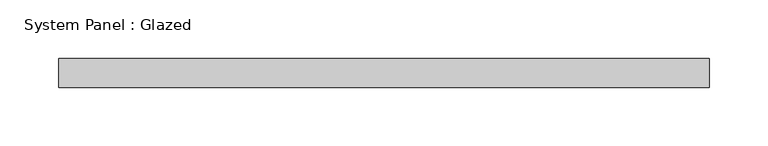
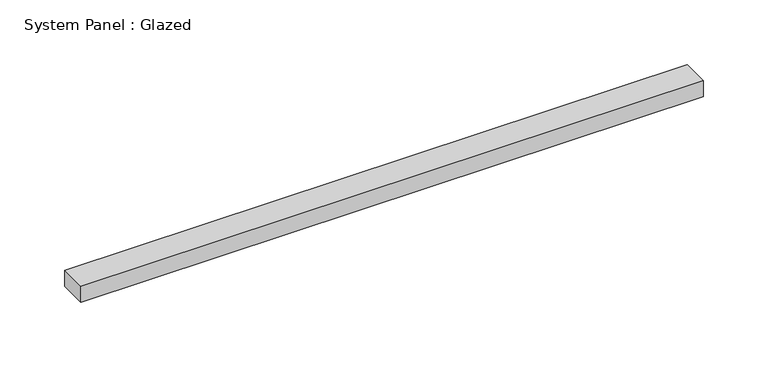
"""IFC4 building model written with IfcOpenShell, lengths in millimetres: plate geometry, System Panel : Glazed."""

from ifc_helpers import new_model, si_unit, origin, origin_with_axes, place, context, project, spatial, polyline, outline, extrude, source, transform, mapped, element, save


def system_panel_glazed_a49695bf(model_context):
    return source(origin(), model_context, "Body", "SweptSolid", [
        extrude(outline(polyline([(278.0, 24.5), (-278.0, 24.5), (-278.0, 49.5), (278.0, 49.5), (278.0, 24.5)])), origin_with_axes(), (0.0, 0.0, 1.0), 15.0),
    ])


if __name__ == "__main__":
    model = new_model("IFC4")
    model_context = context("Model", 3, world=origin())
    ifc_project = project(units=[si_unit("LENGTHUNIT", "METRE", prefix="MILLI")], contexts=[model_context])
    site = spatial("IfcSite", under=ifc_project)
    building = spatial("IfcBuilding", under=site)
    placement = place(None, origin())
    system_panel_glazed_shape = system_panel_glazed_a49695bf(model_context)
    element("IfcPlate", 1, ObjectType="System Panel : Glazed", at=placement, inside=building, context=model_context, shape_type="MappedRepresentation", body=[
        mapped(system_panel_glazed_shape, transform((0.0, 0.0, 0.0), x_axis=(1.0, 0.0, 0.0), y_axis=(0.0, 1.0, 0.0), z_axis=(0.0, 0.0, 1.0))),
    ])
    save(model, "model.ifc")
